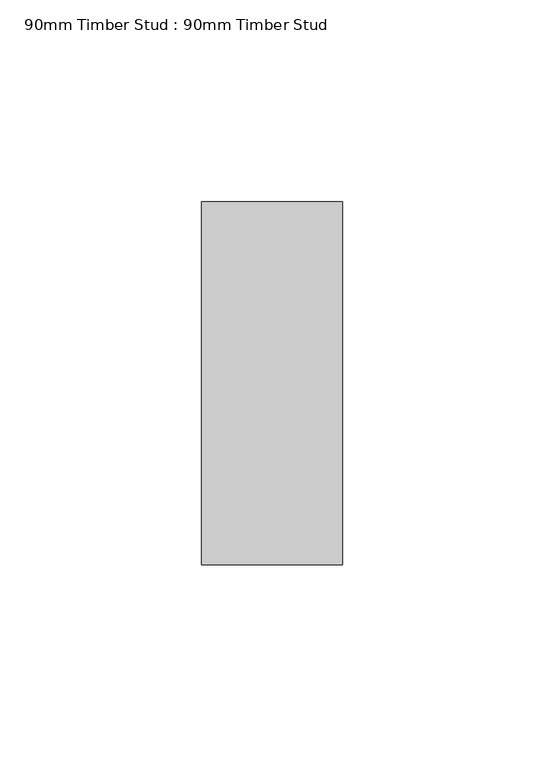
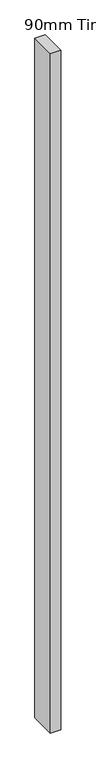
"""IFC4 building model written with IfcOpenShell, lengths in millimetres: proxy geometry, 90mm Timber Stud : 90mm Timber Stud."""

from ifc_helpers import new_model, si_unit, origin, origin_with_axes, place, context, project, spatial, polyline, outline, extrude, source, transform, mapped, element, save


def proxy_90mm_timber_stud_90mm_timber_stud_4bb8d195(model_context):
    return source(origin(), model_context, "Body", "SweptSolid", [
        extrude(outline(polyline([(17.5, 45.0), (17.5, -45.0), (-17.5, -45.0), (-17.5, 45.0), (17.5, 45.0)])), origin_with_axes(), (0.0, 0.0, 1.0), 2400.0),
    ])


if __name__ == "__main__":
    model = new_model("IFC4")
    model_context = context("Model", 3, world=origin())
    ifc_project = project(units=[si_unit("LENGTHUNIT", "METRE", prefix="MILLI")], contexts=[model_context])
    site = spatial("IfcSite", under=ifc_project)
    building = spatial("IfcBuilding", under=site)
    placement = place(None, origin())
    proxy_90mm_timber_stud_90mm_timber_stud_shape = proxy_90mm_timber_stud_90mm_timber_stud_4bb8d195(model_context)
    element("IfcBuildingElementProxy", 1, Name="90mm Timber Stud : 90mm Timber Stud", ObjectType="90mm Timber Stud : 90mm Timber Stud", at=placement, inside=building, context=model_context, shape_type="MappedRepresentation", body=[
        mapped(proxy_90mm_timber_stud_90mm_timber_stud_shape, transform((0.0, 0.0, 0.0), x_axis=(1.0, 0.0, 0.0), y_axis=(0.0, 1.0, 0.0), z_axis=(0.0, 0.0, 1.0))),
    ])
    save(model, "model.ifc")
